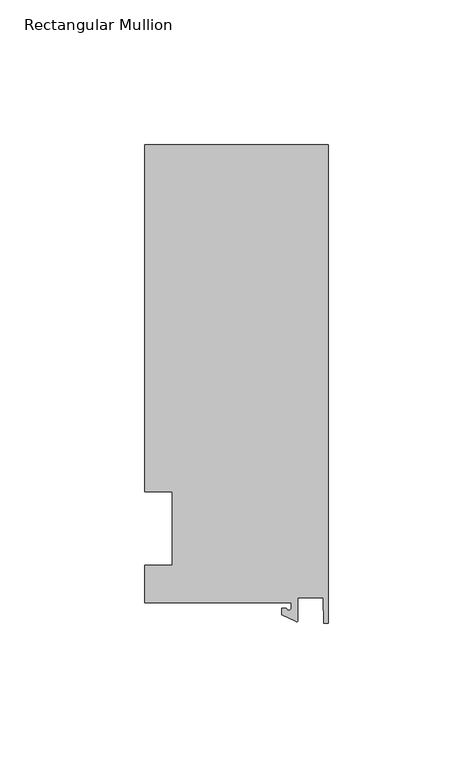
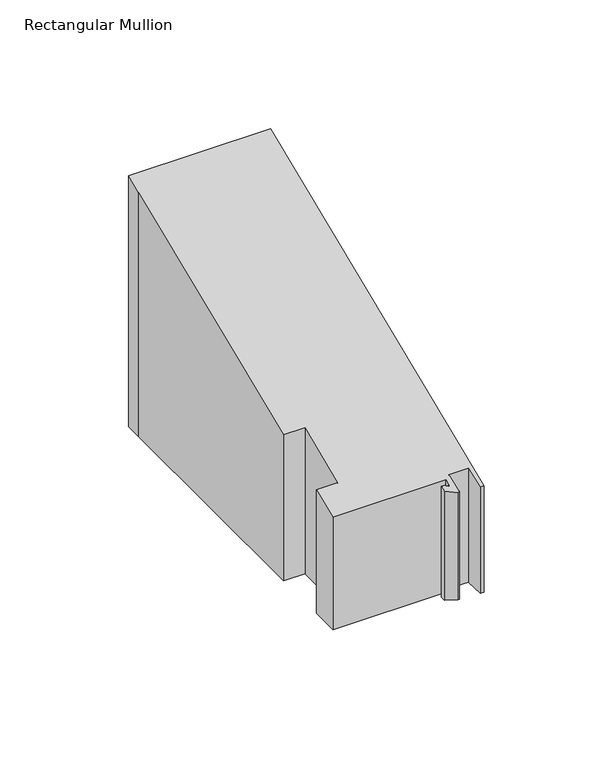
"""IFC4 building model written with IfcOpenShell, lengths in millimetres: member geometry, Rectangular Mullion."""

from ifc_helpers import new_model, si_unit, frame, origin, place, context, project, spatial, polyline, circle_curve, ellipse_curve, source, transform, mapped, element, save
from ifc_brep_helpers import plane_surface, cylinder_surface, revolved_surface, advanced_brep


def rectangular_mullion_eee0c383(model_context):
    return source(origin(), model_context, "Body", "AdvancedBrep", [
        advanced_brep(
        [(-12.8216721, -25.5984375, -63.8608936), (-63.5, -25.5984375, -63.8608936), (-63.5, -12.7, -63.8608936), (-53.975, -12.7, -63.8608936), (-53.975, 12.7, -63.8608936), (-63.5, 12.7, -63.8608936), (-63.5, 125.075512, -63.8608936), (-63.5, 132.822512, -63.8608936), (0.0, 132.822512, -63.8608936), (0.0, -32.810012, -63.8608936), (-1.5566453, -32.810012, -63.8608936), (-1.7144124, -23.9227662, -63.8608936), (-10.4340721, -23.9227662, -63.8608936), (-10.4340721, -31.6795354, -63.8608936), (-11.1567622, -32.1399398, -63.8608936), (-15.9966721, -29.8830527, -63.8608936), (-15.9966721, -27.5208534, -63.8608936), (-14.4091721, -27.5208534, -63.8608936), (-12.8216721, -27.5208534, -63.8608936), (-12.8216721, -27.5208534, -11.3995107), (-12.8216721, -25.5984375, -10.60322), (-14.4091721, -27.5208534, -11.3995107), (-15.9966721, -27.5208534, -11.3995107), (-15.9966721, -29.8830527, -12.3779657), (-11.1567622, -32.1399398, -13.312799), (-10.4340721, -31.6795354, -13.1220932), (-10.4340721, -23.9227662, -9.9091342), (-1.7144124, -23.9227662, -9.9091342), (-1.5566453, -32.810012, -13.5903519), (0.0, -32.810012, -13.5903519), (0.0, 132.822512, 55.0168859), (-63.5, 132.822512, 55.0168859), (-63.5, 12.7, 5.2605122), (-63.5, 125.075512, 51.8079734), (-53.975, 12.7, 5.2605122), (-53.975, -12.7, -5.2605122), (-63.5, -12.7, -5.2605122), (-63.5, -25.5984375, -10.60322)],
        [
            (0, 1),
            (1, 2),
            (2, 3),
            (3, 4),
            (4, 5),
            (5, 6),
            (6, 7),
            (7, 8),
            (8, 9),
            (9, 10),
            (10, 11),
            (11, 12),
            (12, 13),
            (13, 14, circle_curve(frame((-10.9420721, -31.6795354, -63.8608936), z_axis=(0.0, 0.0, -1.0), x_axis=(-1.0, 0.0, 0.0)), 0.508)),
            (14, 15),
            (15, 16),
            (16, 17),
            (17, 18, circle_curve(frame((-13.6154221, -27.5208534, -63.8608936), z_axis=(0.0, 0.0, 1.0), x_axis=(-1.0, 0.0, 0.0)), 0.79375)),
            (18, 0),
            (19, 20),
            (20, 0),
            (18, 19),
            (21, 19, ellipse_curve(frame((-13.6154221, -27.5208534, -11.3995107), z_axis=(0.0, -0.3826834323650925, 0.9238795325112856), x_axis=(0.0, -0.9238795325112857, -0.38268343236509245)), 0.8591488, 0.79375)),
            (17, 21),
            (22, 21),
            (16, 22),
            (23, 22),
            (15, 23),
            (24, 23),
            (14, 24),
            (25, 24, ellipse_curve(frame((-10.9420721, -31.6795354, -13.1220932), z_axis=(0.0, 0.3826834323650925, -0.9238795325112856), x_axis=(0.0, 0.9238795325112857, 0.38268343236509245)), 0.5498552, 0.508)),
            (13, 25),
            (26, 25),
            (12, 26),
            (27, 26),
            (11, 27),
            (28, 27),
            (10, 28),
            (29, 28),
            (9, 29),
            (30, 29),
            (8, 30),
            (31, 30),
            (7, 31),
            (32, 33),
            (33, 6),
            (5, 32),
            (34, 32),
            (4, 34),
            (35, 34),
            (3, 35),
            (36, 35),
            (2, 36),
            (37, 36),
            (1, 37),
            (20, 37),
            (31, 33),
        ],
        [
            plane_surface(frame((0.0, -147.2211591, -63.8608936), z_axis=(0.0, 0.0, -1.0), x_axis=(-1.0, 0.0, 0.0))),
            plane_surface(frame((-12.8216721, -25.5984375, 0.0), z_axis=(-1.0, 0.0, 0.0), x_axis=(0.0, 0.0, -1.0))),
            revolved_surface(polyline([(-14.4091721, -27.5208534, -63.8608936), (-14.4091721, -27.5208534, -11.07072868830365)]), (-13.6154221, -27.5208534, 0.0), (0.0, 0.0, -1.0)),
            plane_surface(frame((-14.4091721, -27.5208534, 0.0), z_axis=(0.0, 1.0, 0.0), x_axis=(0.0, 0.0, -1.0))),
            plane_surface(frame((-15.9966721, -27.5208534, 0.0), z_axis=(-1.0, 0.0, 0.0), x_axis=(0.0, 0.0, -1.0))),
            plane_surface(frame((-15.9966721, -29.8830527, 0.0), z_axis=(-0.4226182617406985, -0.9063077870366505, 0.0), x_axis=(0.0, 0.0, -1.0))),
            cylinder_surface(frame((-10.9420721, -31.6795354, 0.0), z_axis=(0.0, 0.0, 1.0), x_axis=(-1.0, 0.0, 0.0)), 0.508),
            plane_surface(frame((-10.4340721, -31.6795354, 0.0), z_axis=(1.0, 0.0, 0.0), x_axis=(0.0, 0.0, -1.0))),
            plane_surface(frame((-10.4340721, -23.9227662, 0.0), z_axis=(0.0, -1.0, 0.0), x_axis=(0.0, 0.0, -1.0))),
            plane_surface(frame((-1.7144124, -23.9227662, 0.0), z_axis=(-0.9998424690407919, -0.017749284560600327, 0.0), x_axis=(0.0, 0.0, -1.0))),
            plane_surface(frame((-1.5566453, -32.810012, 0.0), z_axis=(0.0, -1.0, 0.0), x_axis=(0.0, 0.0, -1.0))),
            plane_surface(frame((0.0, -32.810012, 0.0), z_axis=(1.0, 0.0, 0.0), x_axis=(0.0, 0.0, -1.0))),
            plane_surface(frame((0.0, 132.822512, 0.0), z_axis=(0.0, 1.0, 0.0), x_axis=(0.0, 0.0, -1.0))),
            plane_surface(frame((-63.5, 125.075512, 0.0), z_axis=(-1.0, 0.0, 0.0), x_axis=(0.0, 0.0, -1.0))),
            plane_surface(frame((-63.5, 12.7, 0.0), z_axis=(0.0, -1.0, 0.0), x_axis=(0.0, 0.0, -1.0))),
            plane_surface(frame((-53.975, 12.7, 0.0), z_axis=(-1.0, 0.0, 0.0), x_axis=(0.0, 0.0, -1.0))),
            plane_surface(frame((-53.975, -12.7, 0.0), z_axis=(0.0, 1.0, 0.0), x_axis=(0.0, 0.0, -1.0))),
            plane_surface(frame((-63.5, -12.7, 0.0), z_axis=(-1.0, 0.0, 0.0), x_axis=(0.0, 0.0, -1.0))),
            plane_surface(frame((-63.5, -25.5984375, 0.0), z_axis=(0.0, -1.0, 0.0), x_axis=(0.0, 0.0, -1.0))),
            plane_surface(frame((304.8, 0.0, 0.0), z_axis=(0.0, -0.3826834323650925, 0.9238795325112856), x_axis=(0.0, -0.9238795325112856, -0.3826834323650925))),
            plane_surface(frame((-63.5, 132.822512, 0.0), z_axis=(-1.0, 0.0, 0.0), x_axis=(0.0, 0.0, -1.0))),
        ],
        [
            (0, [[1, 2, 3, 4, 5, 6, 7, 8, 9, 10, 11, 12, 13, 14, 15, 16, 17, 18, 19]]),
            (1, [[20, 21, -19, 22]]),
            (2, [[23, -22, -18, 24]]),
            (3, [[25, -24, -17, 26]]),
            (4, [[27, -26, -16, 28]]),
            (5, [[29, -28, -15, 30]]),
            (6, [[31, -30, -14, 32]]),
            (7, [[33, -32, -13, 34]]),
            (8, [[35, -34, -12, 36]]),
            (9, [[37, -36, -11, 38]]),
            (10, [[39, -38, -10, 40]]),
            (11, [[41, -40, -9, 42]]),
            (12, [[43, -42, -8, 44]]),
            (13, [[45, 46, -6, 47]]),
            (14, [[48, -47, -5, 49]]),
            (15, [[50, -49, -4, 51]]),
            (16, [[52, -51, -3, 53]]),
            (17, [[54, -53, -2, 55]]),
            (18, [[56, -55, -1, -21]]),
            (19, [[-20, -23, -25, -27, -29, -31, -33, -35, -37, -39, -41, -43, 57, -45, -48, -50, -52, -54, -56]]),
            (20, [[-57, -44, -7, -46]]),
        ],
    ),
    ])


if __name__ == "__main__":
    model = new_model("IFC4")
    model_context = context("Model", 3, world=origin())
    ifc_project = project(units=[si_unit("LENGTHUNIT", "METRE", prefix="MILLI")], contexts=[model_context])
    site = spatial("IfcSite", under=ifc_project)
    building = spatial("IfcBuilding", under=site)
    placement = place(None, origin())
    rectangular_mullion_shape = rectangular_mullion_eee0c383(model_context)
    element("IfcMember", 1, ObjectType="Rectangular Mullion", at=placement, inside=building, context=model_context, shape_type="MappedRepresentation", body=[
        mapped(rectangular_mullion_shape, transform((0.0, 0.0, 0.0), x_axis=(1.0, 0.0, 0.0), y_axis=(0.0, 1.0, 0.0), z_axis=(0.0, 0.0, 1.0))),
    ])
    save(model, "model.ifc")
